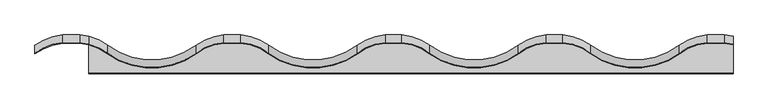
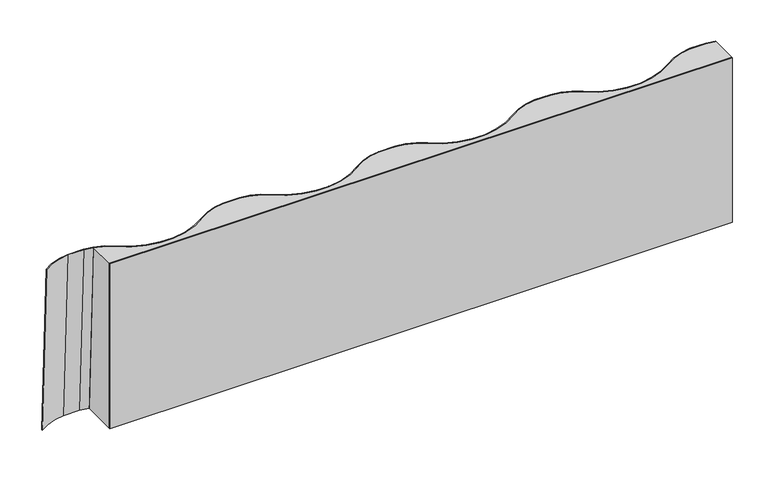
"""IFC4 building model written with IfcOpenShell, lengths in millimetres: proxy geometry."""

from ifc_helpers import new_model, si_unit, point, frame, origin, origin_with_axes, place, context, project, spatial, polyline, circle_curve, trimmed, outline, extrude, source, transform, mapped, element, save
from ifc_brep_helpers import plane_surface, extruded_surface, advanced_brep


def generic_models_6bab72dd(model_context):
    return source(origin(), model_context, "Body", "SolidModel", [
        advanced_brep(
        [(-487.0, 48.5, 280.0), (-513.0, 48.5, 280.0), (-556.4, 32.3578474, 280.0), (-556.4, 31.1113682, 280.0), (-512.9231905, 47.5029542, 280.0), (-487.0768095, 47.5029542, 280.0), (-473.0, 45.1890884, 280.0), (-473.0, 46.2205007, 280.0), (-487.0, 60.5, 0.0), (-473.0, 58.2205007, 0.0), (-473.0, 57.1890884, 0.0), (-487.0768095, 59.5029542, 0.0), (-512.9231905, 59.5029542, 0.0), (-556.4, 43.1113682, 0.0), (-556.4, 44.3578474, 0.0), (-513.0, 60.5, 0.0)],
        [
            (0, 1, circle_curve(frame((-500.0, -120.25, 280.0), z_axis=(0.0, 0.0, 1.0), x_axis=(1.0, 0.0, 0.0)), 169.25)),
            (1, 2, circle_curve(frame((-506.5471271, -35.2632542, 280.0), z_axis=(0.0, 0.0, 1.0), x_axis=(1.0, 0.0, 0.0)), 84.0114416)),
            (2, 3),
            (3, 4, circle_curve(frame((-506.5471271, -35.2632542, 280.0), z_axis=(0.0, 0.0, -1.0), x_axis=(1.0, 0.0, 0.0)), 83.0114416)),
            (4, 5, circle_curve(frame((-500.0, -120.25, 280.0), z_axis=(0.0, 0.0, -1.0), x_axis=(1.0, 0.0, 0.0)), 168.25)),
            (5, 6, circle_curve(frame((-493.4528729, -35.2632542, 280.0), z_axis=(0.0, 0.0, -1.0), x_axis=(1.0, 0.0, 0.0)), 83.0114416)),
            (6, 7),
            (7, 0, circle_curve(frame((-493.4528729, -35.2632542, 280.0), z_axis=(0.0, 0.0, 1.0), x_axis=(1.0, 0.0, 0.0)), 84.0114416)),
            (8, 9, circle_curve(frame((-493.4528729, -23.2632542, 0.0), z_axis=(0.0, 0.0, -1.0), x_axis=(1.0, 0.0, 0.0)), 84.0114416)),
            (9, 10),
            (10, 11, circle_curve(frame((-493.4528729, -23.2632542, 0.0), z_axis=(0.0, 0.0, 1.0), x_axis=(1.0, 0.0, 0.0)), 83.0114416)),
            (11, 12, circle_curve(frame((-500.0, -108.25, 0.0), z_axis=(0.0, 0.0, 1.0), x_axis=(1.0, 0.0, 0.0)), 168.25)),
            (12, 13, circle_curve(frame((-506.5471271, -23.2632542, 0.0), z_axis=(0.0, 0.0, 1.0), x_axis=(1.0, 0.0, 0.0)), 83.0114416)),
            (13, 14),
            (14, 15, circle_curve(frame((-506.5471271, -23.2632542, 0.0), z_axis=(0.0, 0.0, -1.0), x_axis=(1.0, 0.0, 0.0)), 84.0114416)),
            (15, 8, circle_curve(frame((-500.0, -108.25, 0.0), z_axis=(0.0, 0.0, -1.0), x_axis=(1.0, 0.0, 0.0)), 169.25)),
            (15, 1),
            (0, 8),
            (14, 2),
            (13, 3),
            (12, 4),
            (11, 5),
            (10, 6),
            (7, 9),
        ],
        [
            plane_surface(frame((-507.35, 43.3605891, 280.0), z_axis=(0.0, 0.0, 1.0), x_axis=(-0.9970457902511084, 0.07680945347118925, 0.0))),
            plane_surface(frame((-507.35, 55.3605891, 0.0), z_axis=(0.0, 0.0, -1.0), x_axis=(-0.9970457902511084, 0.07680945347118925, 0.0))),
            extruded_surface(trimmed(circle_curve(frame((-500.0, -108.25, 0.0), z_axis=(0.0, 0.0, 1.0), x_axis=(1.0, 0.0, 0.0)), 169.25), [point((-487.0, 60.5, 0.0))], [point((-513.0, 60.5, 0.0))], True, "CARTESIAN"), (0.0, -12.0, 280.0), 280.25702488965374),
            extruded_surface(trimmed(circle_curve(frame((-506.5471271, -23.2632542, 0.0), z_axis=(0.0, 0.0, 1.0), x_axis=(1.0, 0.0, 0.0)), 84.0114416), [point((-513.0, 60.5, 0.0))], [point((-556.4, 44.3578474, 0.0))], True, "CARTESIAN"), (0.0, -12.0, 280.0), 280.25702488965374),
            plane_surface(frame((-556.4, 43.7346078, 0.0), z_axis=(-1.0, 0.0, 0.0), x_axis=(0.0, -1.0, 0.0))),
            extruded_surface(trimmed(circle_curve(frame((-506.5471271, -23.2632542, 0.0), z_axis=(0.0, 0.0, -1.0), x_axis=(1.0, 0.0, 0.0)), 83.0114416), [point((-556.4, 43.1113682, 0.0))], [point((-512.9231905, 59.5029542, 0.0))], True, "CARTESIAN"), (0.0, -12.0, 280.0), 280.25702488965374),
            extruded_surface(trimmed(circle_curve(frame((-500.0, -108.25, 0.0), z_axis=(0.0, 0.0, -1.0), x_axis=(1.0, 0.0, 0.0)), 168.25), [point((-512.9231905, 59.5029542, 0.0))], [point((-487.0768095, 59.5029542, 0.0))], True, "CARTESIAN"), (0.0, -12.0, 280.0), 280.25702488965374),
            extruded_surface(trimmed(circle_curve(frame((-493.4528729, -23.2632542, 0.0), z_axis=(0.0, 0.0, -1.0), x_axis=(1.0, 0.0, 0.0)), 83.0114416), [point((-487.0768095, 59.5029542, 0.0))], [point((-473.0, 57.1890884, 0.0))], True, "CARTESIAN"), (0.0, -12.0, 280.0), 280.25702488965374),
            extruded_surface(trimmed(circle_curve(frame((-493.4528729, -23.2632542, 0.0), z_axis=(0.0, 0.0, 1.0), x_axis=(1.0, 0.0, 0.0)), 84.0114416), [point((-473.0, 58.2205007, 0.0))], [point((-487.0, 60.5, 0.0))], True, "CARTESIAN"), (0.0, -12.0, 280.0), 280.25702488965374),
            plane_surface(frame((-473.0, 57.7047945, 0.0), z_axis=(1.0, 0.0, 0.0), x_axis=(0.0, 1.0, 0.0))),
        ],
        [
            (0, [[1, 2, 3, 4, 5, 6, 7, 8]]),
            (1, [[9, 10, 11, 12, 13, 14, 15, 16]]),
            (2, [[-16, 17, -1, 18]]),
            (3, [[-15, 19, -2, -17]]),
            (4, [[-14, 20, -3, -19]]),
            (5, [[-13, 21, -4, -20]]),
            (6, [[-12, 22, -5, -21]]),
            (7, [[-11, 23, -6, -22]]),
            (8, [[-9, -18, -8, 24]]),
            (9, [[-10, -24, -7, -23]]),
        ],
    ),
        advanced_brep(
        [(-473.0, 46.2205007, 280.0), (-473.0, 45.1890884, 280.0), (-444.1934058, 31.552944, 280.0), (-305.8065942, 31.552944, 280.0), (-262.9231905, 47.5029542, 280.0), (-237.0768095, 47.5029542, 280.0), (-194.1934058, 31.552944, 280.0), (-55.8065942, 31.552944, 280.0), (-12.9231905, 47.5029542, 280.0), (12.9231905, 47.5029542, 280.0), (55.8065942, 31.552944, 280.0), (194.1934058, 31.552944, 280.0), (237.0768095, 47.5029542, 280.0), (262.9231905, 47.5029542, 280.0), (305.8065942, 31.552944, 280.0), (444.1934058, 31.552944, 280.0), (487.0768095, 47.5029542, 280.0), (512.9231905, 47.5029542, 280.0), (526.971358, 45.1963644, 280.0), (526.971358, 46.2276846, 280.0), (513.0, 48.5, 280.0), (487.0, 48.5, 280.0), (443.6, 32.3578474, 280.0), (306.4, 32.3578474, 280.0), (263.0, 48.5, 280.0), (237.0, 48.5, 280.0), (193.6, 32.3578474, 280.0), (56.4, 32.3578474, 280.0), (13.0, 48.5, 280.0), (-13.0, 48.5, 280.0), (-56.4, 32.3578474, 280.0), (-193.6, 32.3578474, 280.0), (-237.0, 48.5, 280.0), (-263.0, 48.5, 280.0), (-306.4, 32.3578474, 280.0), (-443.6, 32.3578474, 280.0), (-473.0, 58.2205007, 0.0), (-443.6, 44.3578474, 0.0), (-306.4, 44.3578474, 0.0), (-263.0, 60.5, 0.0), (-237.0, 60.5, 0.0), (-193.6, 44.3578474, 0.0), (-56.4, 44.3578474, 0.0), (-13.0, 60.5, 0.0), (13.0, 60.5, 0.0), (56.4, 44.3578474, 0.0), (193.6, 44.3578474, 0.0), (237.0, 60.5, 0.0), (263.0, 60.5, 0.0), (306.4, 44.3578474, 0.0), (443.6, 44.3578474, 0.0), (487.0, 60.5, 0.0), (513.0, 60.5, 0.0), (526.971358, 58.2276846, 0.0), (526.971358, 57.1963644, 0.0), (512.9231905, 59.5029542, 0.0), (487.0768095, 59.5029542, 0.0), (444.1934058, 43.552944, 0.0), (305.8065942, 43.552944, 0.0), (262.9231905, 59.5029542, 0.0), (237.0768095, 59.5029542, 0.0), (194.1934058, 43.552944, 0.0), (55.8065942, 43.552944, 0.0), (12.9231905, 59.5029542, 0.0), (-12.9231905, 59.5029542, 0.0), (-55.8065942, 43.552944, 0.0), (-194.1934058, 43.552944, 0.0), (-237.0768095, 59.5029542, 0.0), (-262.9231905, 59.5029542, 0.0), (-305.8065942, 43.552944, 0.0), (-444.1934058, 43.552944, 0.0), (-473.0, 57.1890884, 0.0)],
        [
            (0, 1),
            (1, 2, circle_curve(frame((-493.4528729, -35.2632542, 280.0), z_axis=(0.0, 0.0, -1.0), x_axis=(1.0, 0.0, 0.0)), 83.0114416)),
            (2, 3, circle_curve(frame((-375.0, 125.4078023, 280.0), z_axis=(0.0, 0.0, 1.0), x_axis=(1.0, 0.0, 0.0)), 116.6038671)),
            (3, 4, circle_curve(frame((-256.5471271, -35.2632542, 280.0), z_axis=(0.0, 0.0, -1.0), x_axis=(1.0, 0.0, 0.0)), 83.0114416)),
            (4, 5, circle_curve(frame((-250.0, -120.25, 280.0), z_axis=(0.0, 0.0, -1.0), x_axis=(1.0, 0.0, 0.0)), 168.25)),
            (5, 6, circle_curve(frame((-243.4528729, -35.2632542, 280.0), z_axis=(0.0, 0.0, -1.0), x_axis=(1.0, 0.0, 0.0)), 83.0114416)),
            (6, 7, circle_curve(frame((-125.0, 125.4078023, 280.0), z_axis=(0.0, 0.0, 1.0), x_axis=(1.0, 0.0, 0.0)), 116.6038671)),
            (7, 8, circle_curve(frame((-6.5471271, -35.2632542, 280.0), z_axis=(0.0, 0.0, -1.0), x_axis=(1.0, 0.0, 0.0)), 83.0114416)),
            (8, 9, circle_curve(frame((0.0, -120.25, 280.0), z_axis=(0.0, 0.0, -1.0), x_axis=(1.0, 0.0, 0.0)), 168.25)),
            (9, 10, circle_curve(frame((6.5471271, -35.2632542, 280.0), z_axis=(0.0, 0.0, -1.0), x_axis=(1.0, 0.0, 0.0)), 83.0114416)),
            (10, 11, circle_curve(frame((125.0, 125.4078023, 280.0), z_axis=(0.0, 0.0, 1.0), x_axis=(1.0, 0.0, 0.0)), 116.6038671)),
            (11, 12, circle_curve(frame((243.4528729, -35.2632542, 280.0), z_axis=(0.0, 0.0, -1.0), x_axis=(1.0, 0.0, 0.0)), 83.0114416)),
            (12, 13, circle_curve(frame((250.0, -120.25, 280.0), z_axis=(0.0, 0.0, -1.0), x_axis=(1.0, 0.0, 0.0)), 168.25)),
            (13, 14, circle_curve(frame((256.5471271, -35.2632542, 280.0), z_axis=(0.0, 0.0, -1.0), x_axis=(1.0, 0.0, 0.0)), 83.0114416)),
            (14, 15, circle_curve(frame((375.0, 125.4078023, 280.0), z_axis=(0.0, 0.0, 1.0), x_axis=(1.0, 0.0, 0.0)), 116.6038671)),
            (15, 16, circle_curve(frame((493.4528729, -35.2632542, 280.0), z_axis=(0.0, 0.0, -1.0), x_axis=(1.0, 0.0, 0.0)), 83.0114416)),
            (16, 17, circle_curve(frame((500.0, -120.25, 280.0), z_axis=(0.0, 0.0, -1.0), x_axis=(1.0, 0.0, 0.0)), 168.25)),
            (17, 18, circle_curve(frame((506.5471271, -35.2632542, 280.0), z_axis=(0.0, 0.0, -1.0), x_axis=(1.0, 0.0, 0.0)), 83.0114416)),
            (18, 19),
            (19, 20, circle_curve(frame((506.5471271, -35.2632542, 280.0), z_axis=(0.0, 0.0, 1.0), x_axis=(1.0, 0.0, 0.0)), 84.0114416)),
            (20, 21, circle_curve(frame((500.0, -120.25, 280.0), z_axis=(0.0, 0.0, 1.0), x_axis=(1.0, 0.0, 0.0)), 169.25)),
            (21, 22, circle_curve(frame((493.4528729, -35.2632542, 280.0), z_axis=(0.0, 0.0, 1.0), x_axis=(1.0, 0.0, 0.0)), 84.0114416)),
            (22, 23, circle_curve(frame((375.0, 125.4078023, 280.0), z_axis=(0.0, 0.0, -1.0), x_axis=(1.0, 0.0, 0.0)), 115.6038671)),
            (23, 24, circle_curve(frame((256.5471271, -35.2632542, 280.0), z_axis=(0.0, 0.0, 1.0), x_axis=(1.0, 0.0, 0.0)), 84.0114416)),
            (24, 25, circle_curve(frame((250.0, -120.25, 280.0), z_axis=(0.0, 0.0, 1.0), x_axis=(1.0, 0.0, 0.0)), 169.25)),
            (25, 26, circle_curve(frame((243.4528729, -35.2632542, 280.0), z_axis=(0.0, 0.0, 1.0), x_axis=(1.0, 0.0, 0.0)), 84.0114416)),
            (26, 27, circle_curve(frame((125.0, 125.4078023, 280.0), z_axis=(0.0, 0.0, -1.0), x_axis=(1.0, 0.0, 0.0)), 115.6038671)),
            (27, 28, circle_curve(frame((6.5471271, -35.2632542, 280.0), z_axis=(0.0, 0.0, 1.0), x_axis=(1.0, 0.0, 0.0)), 84.0114416)),
            (28, 29, circle_curve(frame((0.0, -120.25, 280.0), z_axis=(0.0, 0.0, 1.0), x_axis=(1.0, 0.0, 0.0)), 169.25)),
            (29, 30, circle_curve(frame((-6.5471271, -35.2632542, 280.0), z_axis=(0.0, 0.0, 1.0), x_axis=(1.0, 0.0, 0.0)), 84.0114416)),
            (30, 31, circle_curve(frame((-125.0, 125.4078023, 280.0), z_axis=(0.0, 0.0, -1.0), x_axis=(1.0, 0.0, 0.0)), 115.6038671)),
            (31, 32, circle_curve(frame((-243.4528729, -35.2632542, 280.0), z_axis=(0.0, 0.0, 1.0), x_axis=(1.0, 0.0, 0.0)), 84.0114416)),
            (32, 33, circle_curve(frame((-250.0, -120.25, 280.0), z_axis=(0.0, 0.0, 1.0), x_axis=(1.0, 0.0, 0.0)), 169.25)),
            (33, 34, circle_curve(frame((-256.5471271, -35.2632542, 280.0), z_axis=(0.0, 0.0, 1.0), x_axis=(1.0, 0.0, 0.0)), 84.0114416)),
            (34, 35, circle_curve(frame((-375.0, 125.4078023, 280.0), z_axis=(0.0, 0.0, -1.0), x_axis=(1.0, 0.0, 0.0)), 115.6038671)),
            (35, 0, circle_curve(frame((-493.4528729, -35.2632542, 280.0), z_axis=(0.0, 0.0, 1.0), x_axis=(1.0, 0.0, 0.0)), 84.0114416)),
            (36, 37, circle_curve(frame((-493.4528729, -23.2632542, 0.0), z_axis=(0.0, 0.0, -1.0), x_axis=(1.0, 0.0, 0.0)), 84.0114416)),
            (37, 38, circle_curve(frame((-375.0, 137.4078023, 0.0), z_axis=(0.0, 0.0, 1.0), x_axis=(1.0, 0.0, 0.0)), 115.6038671)),
            (38, 39, circle_curve(frame((-256.5471271, -23.2632542, 0.0), z_axis=(0.0, 0.0, -1.0), x_axis=(1.0, 0.0, 0.0)), 84.0114416)),
            (39, 40, circle_curve(frame((-250.0, -108.25, 0.0), z_axis=(0.0, 0.0, -1.0), x_axis=(1.0, 0.0, 0.0)), 169.25)),
            (40, 41, circle_curve(frame((-243.4528729, -23.2632542, 0.0), z_axis=(0.0, 0.0, -1.0), x_axis=(1.0, 0.0, 0.0)), 84.0114416)),
            (41, 42, circle_curve(frame((-125.0, 137.4078023, 0.0), z_axis=(0.0, 0.0, 1.0), x_axis=(1.0, 0.0, 0.0)), 115.6038671)),
            (42, 43, circle_curve(frame((-6.5471271, -23.2632542, 0.0), z_axis=(0.0, 0.0, -1.0), x_axis=(1.0, 0.0, 0.0)), 84.0114416)),
            (43, 44, circle_curve(frame((0.0, -108.25, 0.0), z_axis=(0.0, 0.0, -1.0), x_axis=(1.0, 0.0, 0.0)), 169.25)),
            (44, 45, circle_curve(frame((6.5471271, -23.2632542, 0.0), z_axis=(0.0, 0.0, -1.0), x_axis=(1.0, 0.0, 0.0)), 84.0114416)),
            (45, 46, circle_curve(frame((125.0, 137.4078023, 0.0), z_axis=(0.0, 0.0, 1.0), x_axis=(1.0, 0.0, 0.0)), 115.6038671)),
            (46, 47, circle_curve(frame((243.4528729, -23.2632542, 0.0), z_axis=(0.0, 0.0, -1.0), x_axis=(1.0, 0.0, 0.0)), 84.0114416)),
            (47, 48, circle_curve(frame((250.0, -108.25, 0.0), z_axis=(0.0, 0.0, -1.0), x_axis=(1.0, 0.0, 0.0)), 169.25)),
            (48, 49, circle_curve(frame((256.5471271, -23.2632542, 0.0), z_axis=(0.0, 0.0, -1.0), x_axis=(1.0, 0.0, 0.0)), 84.0114416)),
            (49, 50, circle_curve(frame((375.0, 137.4078023, 0.0), z_axis=(0.0, 0.0, 1.0), x_axis=(1.0, 0.0, 0.0)), 115.6038671)),
            (50, 51, circle_curve(frame((493.4528729, -23.2632542, 0.0), z_axis=(0.0, 0.0, -1.0), x_axis=(1.0, 0.0, 0.0)), 84.0114416)),
            (51, 52, circle_curve(frame((500.0, -108.25, 0.0), z_axis=(0.0, 0.0, -1.0), x_axis=(1.0, 0.0, 0.0)), 169.25)),
            (52, 53, circle_curve(frame((506.5471271, -23.2632542, 0.0), z_axis=(0.0, 0.0, -1.0), x_axis=(1.0, 0.0, 0.0)), 84.0114416)),
            (53, 54),
            (54, 55, circle_curve(frame((506.5471271, -23.2632542, 0.0), z_axis=(0.0, 0.0, 1.0), x_axis=(1.0, 0.0, 0.0)), 83.0114416)),
            (55, 56, circle_curve(frame((500.0, -108.25, 0.0), z_axis=(0.0, 0.0, 1.0), x_axis=(1.0, 0.0, 0.0)), 168.25)),
            (56, 57, circle_curve(frame((493.4528729, -23.2632542, 0.0), z_axis=(0.0, 0.0, 1.0), x_axis=(1.0, 0.0, 0.0)), 83.0114416)),
            (57, 58, circle_curve(frame((375.0, 137.4078023, 0.0), z_axis=(0.0, 0.0, -1.0), x_axis=(1.0, 0.0, 0.0)), 116.6038671)),
            (58, 59, circle_curve(frame((256.5471271, -23.2632542, 0.0), z_axis=(0.0, 0.0, 1.0), x_axis=(1.0, 0.0, 0.0)), 83.0114416)),
            (59, 60, circle_curve(frame((250.0, -108.25, 0.0), z_axis=(0.0, 0.0, 1.0), x_axis=(1.0, 0.0, 0.0)), 168.25)),
            (60, 61, circle_curve(frame((243.4528729, -23.2632542, 0.0), z_axis=(0.0, 0.0, 1.0), x_axis=(1.0, 0.0, 0.0)), 83.0114416)),
            (61, 62, circle_curve(frame((125.0, 137.4078023, 0.0), z_axis=(0.0, 0.0, -1.0), x_axis=(1.0, 0.0, 0.0)), 116.6038671)),
            (62, 63, circle_curve(frame((6.5471271, -23.2632542, 0.0), z_axis=(0.0, 0.0, 1.0), x_axis=(1.0, 0.0, 0.0)), 83.0114416)),
            (63, 64, circle_curve(frame((0.0, -108.25, 0.0), z_axis=(0.0, 0.0, 1.0), x_axis=(1.0, 0.0, 0.0)), 168.25)),
            (64, 65, circle_curve(frame((-6.5471271, -23.2632542, 0.0), z_axis=(0.0, 0.0, 1.0), x_axis=(1.0, 0.0, 0.0)), 83.0114416)),
            (65, 66, circle_curve(frame((-125.0, 137.4078023, 0.0), z_axis=(0.0, 0.0, -1.0), x_axis=(1.0, 0.0, 0.0)), 116.6038671)),
            (66, 67, circle_curve(frame((-243.4528729, -23.2632542, 0.0), z_axis=(0.0, 0.0, 1.0), x_axis=(1.0, 0.0, 0.0)), 83.0114416)),
            (67, 68, circle_curve(frame((-250.0, -108.25, 0.0), z_axis=(0.0, 0.0, 1.0), x_axis=(1.0, 0.0, 0.0)), 168.25)),
            (68, 69, circle_curve(frame((-256.5471271, -23.2632542, 0.0), z_axis=(0.0, 0.0, 1.0), x_axis=(1.0, 0.0, 0.0)), 83.0114416)),
            (69, 70, circle_curve(frame((-375.0, 137.4078023, 0.0), z_axis=(0.0, 0.0, -1.0), x_axis=(1.0, 0.0, 0.0)), 116.6038671)),
            (70, 71, circle_curve(frame((-493.4528729, -23.2632542, 0.0), z_axis=(0.0, 0.0, 1.0), x_axis=(1.0, 0.0, 0.0)), 83.0114416)),
            (71, 36),
            (70, 2),
            (1, 71),
            (69, 3),
            (68, 4),
            (67, 5),
            (66, 6),
            (65, 7),
            (64, 8),
            (63, 9),
            (62, 10),
            (61, 11),
            (60, 12),
            (59, 13),
            (58, 14),
            (57, 15),
            (56, 16),
            (55, 17),
            (54, 18),
            (53, 19),
            (52, 20),
            (51, 21),
            (50, 22),
            (49, 23),
            (48, 24),
            (47, 25),
            (46, 26),
            (45, 27),
            (44, 28),
            (43, 29),
            (42, 30),
            (41, 31),
            (40, 32),
            (39, 33),
            (38, 34),
            (37, 35),
            (36, 0),
        ],
        [
            plane_surface(frame((58.5539643, 40.6151001, 280.0), z_axis=(0.0, 0.0, 1.0), x_axis=(0.0, -1.0, 0.0))),
            plane_surface(frame((58.5539643, 52.6151001, 0.0), z_axis=(0.0, 0.0, -1.0), x_axis=(0.0, -1.0, 0.0))),
            extruded_surface(trimmed(circle_curve(frame((-493.4528729, -23.2632542, 0.0), z_axis=(0.0, 0.0, -1.0), x_axis=(1.0, 0.0, 0.0)), 83.0114416), [point((-473.0, 57.1890884, 0.0))], [point((-444.1934058, 43.552944, 0.0))], True, "CARTESIAN"), (0.0, -12.0, 280.0), 280.25702488965374),
            extruded_surface(trimmed(circle_curve(frame((-375.0, 137.4078023, 0.0), z_axis=(0.0, 0.0, 1.0), x_axis=(1.0, 0.0, 0.0)), 116.6038671), [point((-444.1934058, 43.552944, 0.0))], [point((-305.8065942, 43.552944, 0.0))], True, "CARTESIAN"), (0.0, -11.999999999999986, 280.0), 280.25702488965374),
            extruded_surface(trimmed(circle_curve(frame((-256.5471271, -23.2632542, 0.0), z_axis=(0.0, 0.0, -1.0), x_axis=(1.0, 0.0, 0.0)), 83.0114416), [point((-305.8065942, 43.552944, 0.0))], [point((-262.9231905, 59.5029542, 0.0))], True, "CARTESIAN"), (0.0, -12.0, 280.0), 280.25702488965374),
            extruded_surface(trimmed(circle_curve(frame((-250.0, -108.25, 0.0), z_axis=(0.0, 0.0, -1.0), x_axis=(1.0, 0.0, 0.0)), 168.25), [point((-262.9231905, 59.5029542, 0.0))], [point((-237.0768095, 59.5029542, 0.0))], True, "CARTESIAN"), (0.0, -12.0, 280.0), 280.25702488965374),
            extruded_surface(trimmed(circle_curve(frame((-243.4528729, -23.2632542, 0.0), z_axis=(0.0, 0.0, -1.0), x_axis=(1.0, 0.0, 0.0)), 83.0114416), [point((-237.0768095, 59.5029542, 0.0))], [point((-194.1934058, 43.552944, 0.0))], True, "CARTESIAN"), (0.0, -12.0, 280.0), 280.25702488965374),
            extruded_surface(trimmed(circle_curve(frame((-125.0, 137.4078023, 0.0), z_axis=(0.0, 0.0, 1.0), x_axis=(1.0, 0.0, 0.0)), 116.6038671), [point((-194.1934058, 43.552944, 0.0))], [point((-55.8065942, 43.552944, 0.0))], True, "CARTESIAN"), (0.0, -11.999999999999986, 280.0), 280.25702488965374),
            extruded_surface(trimmed(circle_curve(frame((-6.5471271, -23.2632542, 0.0), z_axis=(0.0, 0.0, -1.0), x_axis=(1.0, 0.0, 0.0)), 83.0114416), [point((-55.8065942, 43.552944, 0.0))], [point((-12.9231905, 59.5029542, 0.0))], True, "CARTESIAN"), (0.0, -12.0, 280.0), 280.25702488965374),
            extruded_surface(trimmed(circle_curve(frame((0.0, -108.25, 0.0), z_axis=(0.0, 0.0, -1.0), x_axis=(1.0, 0.0, 0.0)), 168.25), [point((-12.9231905, 59.5029542, 0.0))], [point((12.9231905, 59.5029542, 0.0))], True, "CARTESIAN"), (0.0, -12.0, 280.0), 280.25702488965374),
            extruded_surface(trimmed(circle_curve(frame((6.5471271, -23.2632542, 0.0), z_axis=(0.0, 0.0, -1.0), x_axis=(1.0, 0.0, 0.0)), 83.0114416), [point((12.9231905, 59.5029542, 0.0))], [point((55.8065942, 43.552944, 0.0))], True, "CARTESIAN"), (0.0, -12.0, 280.0), 280.25702488965374),
            extruded_surface(trimmed(circle_curve(frame((125.0, 137.4078023, 0.0), z_axis=(0.0, 0.0, 1.0), x_axis=(1.0, 0.0, 0.0)), 116.6038671), [point((55.8065942, 43.552944, 0.0))], [point((194.1934058, 43.552944, 0.0))], True, "CARTESIAN"), (0.0, -11.999999999999986, 280.0), 280.25702488965374),
            extruded_surface(trimmed(circle_curve(frame((243.4528729, -23.2632542, 0.0), z_axis=(0.0, 0.0, -1.0), x_axis=(1.0, 0.0, 0.0)), 83.0114416), [point((194.1934058, 43.552944, 0.0))], [point((237.0768095, 59.5029542, 0.0))], True, "CARTESIAN"), (0.0, -12.0, 280.0), 280.25702488965374),
            extruded_surface(trimmed(circle_curve(frame((250.0, -108.25, 0.0), z_axis=(0.0, 0.0, -1.0), x_axis=(1.0, 0.0, 0.0)), 168.25), [point((237.0768095, 59.5029542, 0.0))], [point((262.9231905, 59.5029542, 0.0))], True, "CARTESIAN"), (0.0, -12.0, 280.0), 280.25702488965374),
            extruded_surface(trimmed(circle_curve(frame((256.5471271, -23.2632542, 0.0), z_axis=(0.0, 0.0, -1.0), x_axis=(1.0, 0.0, 0.0)), 83.0114416), [point((262.9231905, 59.5029542, 0.0))], [point((305.8065942, 43.552944, 0.0))], True, "CARTESIAN"), (0.0, -12.0, 280.0), 280.25702488965374),
            extruded_surface(trimmed(circle_curve(frame((375.0, 137.4078023, 0.0), z_axis=(0.0, 0.0, 1.0), x_axis=(1.0, 0.0, 0.0)), 116.6038671), [point((305.8065942, 43.552944, 0.0))], [point((444.1934058, 43.552944, 0.0))], True, "CARTESIAN"), (0.0, -11.999999999999986, 280.0), 280.25702488965374),
            extruded_surface(trimmed(circle_curve(frame((493.4528729, -23.2632542, 0.0), z_axis=(0.0, 0.0, -1.0), x_axis=(1.0, 0.0, 0.0)), 83.0114416), [point((444.1934058, 43.552944, 0.0))], [point((487.0768095, 59.5029542, 0.0))], True, "CARTESIAN"), (0.0, -12.0, 280.0), 280.25702488965374),
            extruded_surface(trimmed(circle_curve(frame((500.0, -108.25, 0.0), z_axis=(0.0, 0.0, -1.0), x_axis=(1.0, 0.0, 0.0)), 168.25), [point((487.0768095, 59.5029542, 0.0))], [point((512.9231905, 59.5029542, 0.0))], True, "CARTESIAN"), (0.0, -12.0, 280.0), 280.25702488965374),
            extruded_surface(trimmed(circle_curve(frame((506.5471271, -23.2632542, 0.0), z_axis=(0.0, 0.0, -1.0), x_axis=(1.0, 0.0, 0.0)), 83.0114416), [point((512.9231905, 59.5029542, 0.0))], [point((526.971358, 57.1963644, 0.0))], True, "CARTESIAN"), (0.0, -12.0, 280.0), 280.25702488965374),
            plane_surface(frame((526.971358, 57.7120245, 0.0), z_axis=(1.0, 0.0, 0.0), x_axis=(0.0, 1.0, 0.0))),
            extruded_surface(trimmed(circle_curve(frame((506.5471271, -23.2632542, 0.0), z_axis=(0.0, 0.0, 1.0), x_axis=(1.0, 0.0, 0.0)), 84.0114416), [point((526.971358, 58.2276846, 0.0))], [point((513.0, 60.5, 0.0))], True, "CARTESIAN"), (0.0, -12.0, 280.0), 280.25702488965374),
            extruded_surface(trimmed(circle_curve(frame((500.0, -108.25, 0.0), z_axis=(0.0, 0.0, 1.0), x_axis=(1.0, 0.0, 0.0)), 169.25), [point((513.0, 60.5, 0.0))], [point((487.0, 60.5, 0.0))], True, "CARTESIAN"), (0.0, -12.0, 280.0), 280.25702488965374),
            extruded_surface(trimmed(circle_curve(frame((493.4528729, -23.2632542, 0.0), z_axis=(0.0, 0.0, 1.0), x_axis=(1.0, 0.0, 0.0)), 84.0114416), [point((487.0, 60.5, 0.0))], [point((443.6, 44.3578474, 0.0))], True, "CARTESIAN"), (0.0, -12.0, 280.0), 280.25702488965374),
            extruded_surface(trimmed(circle_curve(frame((375.0, 137.4078023, 0.0), z_axis=(0.0, 0.0, -1.0), x_axis=(1.0, 0.0, 0.0)), 115.6038671), [point((443.6, 44.3578474, 0.0))], [point((306.4, 44.3578474, 0.0))], True, "CARTESIAN"), (0.0, -11.999999999999986, 280.0), 280.25702488965374),
            extruded_surface(trimmed(circle_curve(frame((256.5471271, -23.2632542, 0.0), z_axis=(0.0, 0.0, 1.0), x_axis=(1.0, 0.0, 0.0)), 84.0114416), [point((306.4, 44.3578474, 0.0))], [point((263.0, 60.5, 0.0))], True, "CARTESIAN"), (0.0, -12.0, 280.0), 280.25702488965374),
            extruded_surface(trimmed(circle_curve(frame((250.0, -108.25, 0.0), z_axis=(0.0, 0.0, 1.0), x_axis=(1.0, 0.0, 0.0)), 169.25), [point((263.0, 60.5, 0.0))], [point((237.0, 60.5, 0.0))], True, "CARTESIAN"), (0.0, -12.0, 280.0), 280.25702488965374),
            extruded_surface(trimmed(circle_curve(frame((243.4528729, -23.2632542, 0.0), z_axis=(0.0, 0.0, 1.0), x_axis=(1.0, 0.0, 0.0)), 84.0114416), [point((237.0, 60.5, 0.0))], [point((193.6, 44.3578474, 0.0))], True, "CARTESIAN"), (0.0, -12.0, 280.0), 280.25702488965374),
            extruded_surface(trimmed(circle_curve(frame((125.0, 137.4078023, 0.0), z_axis=(0.0, 0.0, -1.0), x_axis=(1.0, 0.0, 0.0)), 115.6038671), [point((193.6, 44.3578474, 0.0))], [point((56.4, 44.3578474, 0.0))], True, "CARTESIAN"), (0.0, -11.999999999999986, 280.0), 280.25702488965374),
            extruded_surface(trimmed(circle_curve(frame((6.5471271, -23.2632542, 0.0), z_axis=(0.0, 0.0, 1.0), x_axis=(1.0, 0.0, 0.0)), 84.0114416), [point((56.4, 44.3578474, 0.0))], [point((13.0, 60.5, 0.0))], True, "CARTESIAN"), (0.0, -12.0, 280.0), 280.25702488965374),
            extruded_surface(trimmed(circle_curve(frame((0.0, -108.25, 0.0), z_axis=(0.0, 0.0, 1.0), x_axis=(1.0, 0.0, 0.0)), 169.25), [point((13.0, 60.5, 0.0))], [point((-13.0, 60.5, 0.0))], True, "CARTESIAN"), (0.0, -12.0, 280.0), 280.25702488965374),
            extruded_surface(trimmed(circle_curve(frame((-6.5471271, -23.2632542, 0.0), z_axis=(0.0, 0.0, 1.0), x_axis=(1.0, 0.0, 0.0)), 84.0114416), [point((-13.0, 60.5, 0.0))], [point((-56.4, 44.3578474, 0.0))], True, "CARTESIAN"), (0.0, -12.0, 280.0), 280.25702488965374),
            extruded_surface(trimmed(circle_curve(frame((-125.0, 137.4078023, 0.0), z_axis=(0.0, 0.0, -1.0), x_axis=(1.0, 0.0, 0.0)), 115.6038671), [point((-56.4, 44.3578474, 0.0))], [point((-193.6, 44.3578474, 0.0))], True, "CARTESIAN"), (0.0, -11.999999999999986, 280.0), 280.25702488965374),
            extruded_surface(trimmed(circle_curve(frame((-243.4528729, -23.2632542, 0.0), z_axis=(0.0, 0.0, 1.0), x_axis=(1.0, 0.0, 0.0)), 84.0114416), [point((-193.6, 44.3578474, 0.0))], [point((-237.0, 60.5, 0.0))], True, "CARTESIAN"), (0.0, -12.0, 280.0), 280.25702488965374),
            extruded_surface(trimmed(circle_curve(frame((-250.0, -108.25, 0.0), z_axis=(0.0, 0.0, 1.0), x_axis=(1.0, 0.0, 0.0)), 169.25), [point((-237.0, 60.5, 0.0))], [point((-263.0, 60.5, 0.0))], True, "CARTESIAN"), (0.0, -12.0, 280.0), 280.25702488965374),
            extruded_surface(trimmed(circle_curve(frame((-256.5471271, -23.2632542, 0.0), z_axis=(0.0, 0.0, 1.0), x_axis=(1.0, 0.0, 0.0)), 84.0114416), [point((-263.0, 60.5, 0.0))], [point((-306.4, 44.3578474, 0.0))], True, "CARTESIAN"), (0.0, -12.0, 280.0), 280.25702488965374),
            extruded_surface(trimmed(circle_curve(frame((-375.0, 137.4078023, 0.0), z_axis=(0.0, 0.0, -1.0), x_axis=(1.0, 0.0, 0.0)), 115.6038671), [point((-306.4, 44.3578474, 0.0))], [point((-443.6, 44.3578474, 0.0))], True, "CARTESIAN"), (0.0, -11.999999999999986, 280.0), 280.25702488965374),
            extruded_surface(trimmed(circle_curve(frame((-493.4528729, -23.2632542, 0.0), z_axis=(0.0, 0.0, 1.0), x_axis=(1.0, 0.0, 0.0)), 84.0114416), [point((-443.6, 44.3578474, 0.0))], [point((-473.0, 58.2205007, 0.0))], True, "CARTESIAN"), (0.0, -12.0, 280.0), 280.25702488965374),
            plane_surface(frame((-473.0, 57.7047945, 0.0), z_axis=(-1.0, 0.0, 0.0), x_axis=(0.0, -1.0, 0.0))),
        ],
        [
            (0, [[1, 2, 3, 4, 5, 6, 7, 8, 9, 10, 11, 12, 13, 14, 15, 16, 17, 18, 19, 20, 21, 22, 23, 24, 25, 26, 27, 28, 29, 30, 31, 32, 33, 34, 35, 36]]),
            (1, [[37, 38, 39, 40, 41, 42, 43, 44, 45, 46, 47, 48, 49, 50, 51, 52, 53, 54, 55, 56, 57, 58, 59, 60, 61, 62, 63, 64, 65, 66, 67, 68, 69, 70, 71, 72]]),
            (2, [[-71, 73, -2, 74]]),
            (3, [[-70, 75, -3, -73]]),
            (4, [[-69, 76, -4, -75]]),
            (5, [[-68, 77, -5, -76]]),
            (6, [[-67, 78, -6, -77]]),
            (7, [[-66, 79, -7, -78]]),
            (8, [[-65, 80, -8, -79]]),
            (9, [[-64, 81, -9, -80]]),
            (10, [[-63, 82, -10, -81]]),
            (11, [[-62, 83, -11, -82]]),
            (12, [[-61, 84, -12, -83]]),
            (13, [[-60, 85, -13, -84]]),
            (14, [[-59, 86, -14, -85]]),
            (15, [[-58, 87, -15, -86]]),
            (16, [[-57, 88, -16, -87]]),
            (17, [[-56, 89, -17, -88]]),
            (18, [[-55, 90, -18, -89]]),
            (19, [[-54, 91, -19, -90]]),
            (20, [[-53, 92, -20, -91]]),
            (21, [[-52, 93, -21, -92]]),
            (22, [[-51, 94, -22, -93]]),
            (23, [[-50, 95, -23, -94]]),
            (24, [[-49, 96, -24, -95]]),
            (25, [[-48, 97, -25, -96]]),
            (26, [[-47, 98, -26, -97]]),
            (27, [[-46, 99, -27, -98]]),
            (28, [[-45, 100, -28, -99]]),
            (29, [[-44, 101, -29, -100]]),
            (30, [[-43, 102, -30, -101]]),
            (31, [[-42, 103, -31, -102]]),
            (32, [[-41, 104, -32, -103]]),
            (33, [[-40, 105, -33, -104]]),
            (34, [[-39, 106, -34, -105]]),
            (35, [[-38, 107, -35, -106]]),
            (36, [[-37, 108, -36, -107]]),
            (37, [[-72, -74, -1, -108]]),
        ],
    ),
        extrude(outline(polyline([(526.971358, 1.0), (526.971358, 0.0), (-473.0, 0.0), (-473.0, 1.0), (526.971358, 1.0)])), origin_with_axes(), (0.0, 0.0, 1.0), 280.0),
        advanced_brep(
        [(526.971358, 1.0, 280.0), (526.971358, 45.1963644, 280.0), (512.9231905, 47.5029542, 280.0), (487.0768095, 47.5029542, 280.0), (444.1934058, 31.552944, 280.0), (305.8065942, 31.552944, 280.0), (262.9231905, 47.5029542, 280.0), (237.0768095, 47.5029542, 280.0), (194.1934058, 31.552944, 280.0), (55.8065942, 31.552944, 280.0), (12.9231905, 47.5029542, 280.0), (-12.9231905, 47.5029542, 280.0), (-55.8065942, 31.552944, 280.0), (-194.1934058, 31.552944, 280.0), (-237.0768095, 47.5029542, 280.0), (-262.9231905, 47.5029542, 280.0), (-305.8065942, 31.552944, 280.0), (-444.1934058, 31.552944, 280.0), (-473.0, 45.1890884, 280.0), (-473.0, 1.0, 280.0), (526.971358, 1.0, 0.0), (-473.0, 1.0, 0.0), (-473.0, 57.1890884, 0.0), (-444.1934058, 43.552944, 0.0), (-305.8065942, 43.552944, 0.0), (-262.9231905, 59.5029542, 0.0), (-237.0768095, 59.5029542, 0.0), (-194.1934058, 43.552944, 0.0), (-55.8065942, 43.552944, 0.0), (-12.9231905, 59.5029542, 0.0), (12.9231905, 59.5029542, 0.0), (55.8065942, 43.552944, 0.0), (194.1934058, 43.552944, 0.0), (237.0768095, 59.5029542, 0.0), (262.9231905, 59.5029542, 0.0), (305.8065942, 43.552944, 0.0), (444.1934058, 43.552944, 0.0), (487.0768095, 59.5029542, 0.0), (512.9231905, 59.5029542, 0.0), (526.971358, 57.1963644, 0.0)],
        [
            (0, 1),
            (1, 2, circle_curve(frame((506.5471271, -35.2632542, 280.0), z_axis=(0.0, 0.0, 1.0), x_axis=(1.0, 0.0, 0.0)), 83.0114416)),
            (2, 3, circle_curve(frame((500.0, -120.25, 280.0), z_axis=(0.0, 0.0, 1.0), x_axis=(1.0, 0.0, 0.0)), 168.25)),
            (3, 4, circle_curve(frame((493.4528729, -35.2632542, 280.0), z_axis=(0.0, 0.0, 1.0), x_axis=(1.0, 0.0, 0.0)), 83.0114416)),
            (4, 5, circle_curve(frame((375.0, 125.4078023, 280.0), z_axis=(0.0, 0.0, -1.0), x_axis=(1.0, 0.0, 0.0)), 116.6038671)),
            (5, 6, circle_curve(frame((256.5471271, -35.2632542, 280.0), z_axis=(0.0, 0.0, 1.0), x_axis=(1.0, 0.0, 0.0)), 83.0114416)),
            (6, 7, circle_curve(frame((250.0, -120.25, 280.0), z_axis=(0.0, 0.0, 1.0), x_axis=(1.0, 0.0, 0.0)), 168.25)),
            (7, 8, circle_curve(frame((243.4528729, -35.2632542, 280.0), z_axis=(0.0, 0.0, 1.0), x_axis=(1.0, 0.0, 0.0)), 83.0114416)),
            (8, 9, circle_curve(frame((125.0, 125.4078023, 280.0), z_axis=(0.0, 0.0, -1.0), x_axis=(1.0, 0.0, 0.0)), 116.6038671)),
            (9, 10, circle_curve(frame((6.5471271, -35.2632542, 280.0), z_axis=(0.0, 0.0, 1.0), x_axis=(1.0, 0.0, 0.0)), 83.0114416)),
            (10, 11, circle_curve(frame((0.0, -120.25, 280.0), z_axis=(0.0, 0.0, 1.0), x_axis=(1.0, 0.0, 0.0)), 168.25)),
            (11, 12, circle_curve(frame((-6.5471271, -35.2632542, 280.0), z_axis=(0.0, 0.0, 1.0), x_axis=(1.0, 0.0, 0.0)), 83.0114416)),
            (12, 13, circle_curve(frame((-125.0, 125.4078023, 280.0), z_axis=(0.0, 0.0, -1.0), x_axis=(1.0, 0.0, 0.0)), 116.6038671)),
            (13, 14, circle_curve(frame((-243.4528729, -35.2632542, 280.0), z_axis=(0.0, 0.0, 1.0), x_axis=(1.0, 0.0, 0.0)), 83.0114416)),
            (14, 15, circle_curve(frame((-250.0, -120.25, 280.0), z_axis=(0.0, 0.0, 1.0), x_axis=(1.0, 0.0, 0.0)), 168.25)),
            (15, 16, circle_curve(frame((-256.5471271, -35.2632542, 280.0), z_axis=(0.0, 0.0, 1.0), x_axis=(1.0, 0.0, 0.0)), 83.0114416)),
            (16, 17, circle_curve(frame((-375.0, 125.4078023, 280.0), z_axis=(0.0, 0.0, -1.0), x_axis=(1.0, 0.0, 0.0)), 116.6038671)),
            (17, 18, circle_curve(frame((-493.4528729, -35.2632542, 280.0), z_axis=(0.0, 0.0, 1.0), x_axis=(1.0, 0.0, 0.0)), 83.0114416)),
            (18, 19),
            (19, 0),
            (20, 21),
            (21, 22),
            (22, 23, circle_curve(frame((-493.4528729, -23.2632542, 0.0), z_axis=(0.0, 0.0, -1.0), x_axis=(1.0, 0.0, 0.0)), 83.0114416)),
            (23, 24, circle_curve(frame((-375.0, 137.4078023, 0.0), z_axis=(0.0, 0.0, 1.0), x_axis=(1.0, 0.0, 0.0)), 116.6038671)),
            (24, 25, circle_curve(frame((-256.5471271, -23.2632542, 0.0), z_axis=(0.0, 0.0, -1.0), x_axis=(1.0, 0.0, 0.0)), 83.0114416)),
            (25, 26, circle_curve(frame((-250.0, -108.25, 0.0), z_axis=(0.0, 0.0, -1.0), x_axis=(1.0, 0.0, 0.0)), 168.25)),
            (26, 27, circle_curve(frame((-243.4528729, -23.2632542, 0.0), z_axis=(0.0, 0.0, -1.0), x_axis=(1.0, 0.0, 0.0)), 83.0114416)),
            (27, 28, circle_curve(frame((-125.0, 137.4078023, 0.0), z_axis=(0.0, 0.0, 1.0), x_axis=(1.0, 0.0, 0.0)), 116.6038671)),
            (28, 29, circle_curve(frame((-6.5471271, -23.2632542, 0.0), z_axis=(0.0, 0.0, -1.0), x_axis=(1.0, 0.0, 0.0)), 83.0114416)),
            (29, 30, circle_curve(frame((0.0, -108.25, 0.0), z_axis=(0.0, 0.0, -1.0), x_axis=(1.0, 0.0, 0.0)), 168.25)),
            (30, 31, circle_curve(frame((6.5471271, -23.2632542, 0.0), z_axis=(0.0, 0.0, -1.0), x_axis=(1.0, 0.0, 0.0)), 83.0114416)),
            (31, 32, circle_curve(frame((125.0, 137.4078023, 0.0), z_axis=(0.0, 0.0, 1.0), x_axis=(1.0, 0.0, 0.0)), 116.6038671)),
            (32, 33, circle_curve(frame((243.4528729, -23.2632542, 0.0), z_axis=(0.0, 0.0, -1.0), x_axis=(1.0, 0.0, 0.0)), 83.0114416)),
            (33, 34, circle_curve(frame((250.0, -108.25, 0.0), z_axis=(0.0, 0.0, -1.0), x_axis=(1.0, 0.0, 0.0)), 168.25)),
            (34, 35, circle_curve(frame((256.5471271, -23.2632542, 0.0), z_axis=(0.0, 0.0, -1.0), x_axis=(1.0, 0.0, 0.0)), 83.0114416)),
            (35, 36, circle_curve(frame((375.0, 137.4078023, 0.0), z_axis=(0.0, 0.0, 1.0), x_axis=(1.0, 0.0, 0.0)), 116.6038671)),
            (36, 37, circle_curve(frame((493.4528729, -23.2632542, 0.0), z_axis=(0.0, 0.0, -1.0), x_axis=(1.0, 0.0, 0.0)), 83.0114416)),
            (37, 38, circle_curve(frame((500.0, -108.25, 0.0), z_axis=(0.0, 0.0, -1.0), x_axis=(1.0, 0.0, 0.0)), 168.25)),
            (38, 39, circle_curve(frame((506.5471271, -23.2632542, 0.0), z_axis=(0.0, 0.0, -1.0), x_axis=(1.0, 0.0, 0.0)), 83.0114416)),
            (39, 20),
            (39, 1),
            (0, 20),
            (38, 2),
            (37, 3),
            (36, 4),
            (35, 5),
            (34, 6),
            (33, 7),
            (32, 8),
            (31, 9),
            (30, 10),
            (29, 11),
            (28, 12),
            (27, 13),
            (26, 14),
            (25, 15),
            (24, 16),
            (23, 17),
            (22, 18),
            (19, 21),
        ],
        [
            plane_surface(frame((55.3971358, 36.2416319, 280.0), z_axis=(0.0, 0.0, 1.0), x_axis=(0.0, 1.0, 0.0))),
            plane_surface(frame((55.3971358, 47.0416319, 0.0), z_axis=(0.0, 0.0, -1.0), x_axis=(0.0, 1.0, 0.0))),
            plane_surface(frame((526.971358, 29.0981822, 0.0), z_axis=(1.0, 0.0, 0.0), x_axis=(0.0, 1.0, 0.0))),
            extruded_surface(trimmed(circle_curve(frame((506.5471271, -23.2632542, 0.0), z_axis=(0.0, 0.0, 1.0), x_axis=(1.0, 0.0, 0.0)), 83.0114416), [point((526.971358, 57.1963644, 0.0))], [point((512.9231905, 59.5029542, 0.0))], True, "CARTESIAN"), (0.0, -12.0, 280.0), 280.25702488965374),
            extruded_surface(trimmed(circle_curve(frame((500.0, -108.25, 0.0), z_axis=(0.0, 0.0, 1.0), x_axis=(1.0, 0.0, 0.0)), 168.25), [point((512.9231905, 59.5029542, 0.0))], [point((487.0768095, 59.5029542, 0.0))], True, "CARTESIAN"), (0.0, -12.0, 280.0), 280.25702488965374),
            extruded_surface(trimmed(circle_curve(frame((493.4528729, -23.2632542, 0.0), z_axis=(0.0, 0.0, 1.0), x_axis=(1.0, 0.0, 0.0)), 83.0114416), [point((487.0768095, 59.5029542, 0.0))], [point((444.1934058, 43.552944, 0.0))], True, "CARTESIAN"), (0.0, -12.0, 280.0), 280.25702488965374),
            extruded_surface(trimmed(circle_curve(frame((375.0, 137.4078023, 0.0), z_axis=(0.0, 0.0, -1.0), x_axis=(1.0, 0.0, 0.0)), 116.6038671), [point((444.1934058, 43.552944, 0.0))], [point((305.8065942, 43.552944, 0.0))], True, "CARTESIAN"), (0.0, -11.999999999999986, 280.0), 280.25702488965374),
            extruded_surface(trimmed(circle_curve(frame((256.5471271, -23.2632542, 0.0), z_axis=(0.0, 0.0, 1.0), x_axis=(1.0, 0.0, 0.0)), 83.0114416), [point((305.8065942, 43.552944, 0.0))], [point((262.9231905, 59.5029542, 0.0))], True, "CARTESIAN"), (0.0, -12.0, 280.0), 280.25702488965374),
            extruded_surface(trimmed(circle_curve(frame((250.0, -108.25, 0.0), z_axis=(0.0, 0.0, 1.0), x_axis=(1.0, 0.0, 0.0)), 168.25), [point((262.9231905, 59.5029542, 0.0))], [point((237.0768095, 59.5029542, 0.0))], True, "CARTESIAN"), (0.0, -12.0, 280.0), 280.25702488965374),
            extruded_surface(trimmed(circle_curve(frame((243.4528729, -23.2632542, 0.0), z_axis=(0.0, 0.0, 1.0), x_axis=(1.0, 0.0, 0.0)), 83.0114416), [point((237.0768095, 59.5029542, 0.0))], [point((194.1934058, 43.552944, 0.0))], True, "CARTESIAN"), (0.0, -12.0, 280.0), 280.25702488965374),
            extruded_surface(trimmed(circle_curve(frame((125.0, 137.4078023, 0.0), z_axis=(0.0, 0.0, -1.0), x_axis=(1.0, 0.0, 0.0)), 116.6038671), [point((194.1934058, 43.552944, 0.0))], [point((55.8065942, 43.552944, 0.0))], True, "CARTESIAN"), (0.0, -11.999999999999986, 280.0), 280.25702488965374),
            extruded_surface(trimmed(circle_curve(frame((6.5471271, -23.2632542, 0.0), z_axis=(0.0, 0.0, 1.0), x_axis=(1.0, 0.0, 0.0)), 83.0114416), [point((55.8065942, 43.552944, 0.0))], [point((12.9231905, 59.5029542, 0.0))], True, "CARTESIAN"), (0.0, -12.0, 280.0), 280.25702488965374),
            extruded_surface(trimmed(circle_curve(frame((0.0, -108.25, 0.0), z_axis=(0.0, 0.0, 1.0), x_axis=(1.0, 0.0, 0.0)), 168.25), [point((12.9231905, 59.5029542, 0.0))], [point((-12.9231905, 59.5029542, 0.0))], True, "CARTESIAN"), (0.0, -12.0, 280.0), 280.25702488965374),
            extruded_surface(trimmed(circle_curve(frame((-6.5471271, -23.2632542, 0.0), z_axis=(0.0, 0.0, 1.0), x_axis=(1.0, 0.0, 0.0)), 83.0114416), [point((-12.9231905, 59.5029542, 0.0))], [point((-55.8065942, 43.552944, 0.0))], True, "CARTESIAN"), (0.0, -12.0, 280.0), 280.25702488965374),
            extruded_surface(trimmed(circle_curve(frame((-125.0, 137.4078023, 0.0), z_axis=(0.0, 0.0, -1.0), x_axis=(1.0, 0.0, 0.0)), 116.6038671), [point((-55.8065942, 43.552944, 0.0))], [point((-194.1934058, 43.552944, 0.0))], True, "CARTESIAN"), (0.0, -11.999999999999986, 280.0), 280.25702488965374),
            extruded_surface(trimmed(circle_curve(frame((-243.4528729, -23.2632542, 0.0), z_axis=(0.0, 0.0, 1.0), x_axis=(1.0, 0.0, 0.0)), 83.0114416), [point((-194.1934058, 43.552944, 0.0))], [point((-237.0768095, 59.5029542, 0.0))], True, "CARTESIAN"), (0.0, -12.0, 280.0), 280.25702488965374),
            extruded_surface(trimmed(circle_curve(frame((-250.0, -108.25, 0.0), z_axis=(0.0, 0.0, 1.0), x_axis=(1.0, 0.0, 0.0)), 168.25), [point((-237.0768095, 59.5029542, 0.0))], [point((-262.9231905, 59.5029542, 0.0))], True, "CARTESIAN"), (0.0, -12.0, 280.0), 280.25702488965374),
            extruded_surface(trimmed(circle_curve(frame((-256.5471271, -23.2632542, 0.0), z_axis=(0.0, 0.0, 1.0), x_axis=(1.0, 0.0, 0.0)), 83.0114416), [point((-262.9231905, 59.5029542, 0.0))], [point((-305.8065942, 43.552944, 0.0))], True, "CARTESIAN"), (0.0, -12.0, 280.0), 280.25702488965374),
            extruded_surface(trimmed(circle_curve(frame((-375.0, 137.4078023, 0.0), z_axis=(0.0, 0.0, -1.0), x_axis=(1.0, 0.0, 0.0)), 116.6038671), [point((-305.8065942, 43.552944, 0.0))], [point((-444.1934058, 43.552944, 0.0))], True, "CARTESIAN"), (0.0, -11.999999999999986, 280.0), 280.25702488965374),
            extruded_surface(trimmed(circle_curve(frame((-493.4528729, -23.2632542, 0.0), z_axis=(0.0, 0.0, 1.0), x_axis=(1.0, 0.0, 0.0)), 83.0114416), [point((-444.1934058, 43.552944, 0.0))], [point((-473.0, 57.1890884, 0.0))], True, "CARTESIAN"), (0.0, -12.0, 280.0), 280.25702488965374),
            plane_surface(frame((26.985679, 1.0, 0.0), z_axis=(0.0, -1.0, 0.0), x_axis=(1.0, 0.0, 0.0))),
            plane_surface(frame((-473.0, 29.0945442, 0.0), z_axis=(-1.0, 0.0, 0.0), x_axis=(0.0, -1.0, 0.0))),
        ],
        [
            (0, [[1, 2, 3, 4, 5, 6, 7, 8, 9, 10, 11, 12, 13, 14, 15, 16, 17, 18, 19, 20]]),
            (1, [[21, 22, 23, 24, 25, 26, 27, 28, 29, 30, 31, 32, 33, 34, 35, 36, 37, 38, 39, 40]]),
            (2, [[-40, 41, -1, 42]]),
            (3, [[-39, 43, -2, -41]]),
            (4, [[-38, 44, -3, -43]]),
            (5, [[-37, 45, -4, -44]]),
            (6, [[-36, 46, -5, -45]]),
            (7, [[-35, 47, -6, -46]]),
            (8, [[-34, 48, -7, -47]]),
            (9, [[-33, 49, -8, -48]]),
            (10, [[-32, 50, -9, -49]]),
            (11, [[-31, 51, -10, -50]]),
            (12, [[-30, 52, -11, -51]]),
            (13, [[-29, 53, -12, -52]]),
            (14, [[-28, 54, -13, -53]]),
            (15, [[-27, 55, -14, -54]]),
            (16, [[-26, 56, -15, -55]]),
            (17, [[-25, 57, -16, -56]]),
            (18, [[-24, 58, -17, -57]]),
            (19, [[-23, 59, -18, -58]]),
            (20, [[-21, -42, -20, 60]]),
            (21, [[-22, -60, -19, -59]]),
        ],
    ),
    ])


if __name__ == "__main__":
    model = new_model("IFC4")
    model_context = context("Model", 3, world=origin())
    ifc_project = project(units=[si_unit("LENGTHUNIT", "METRE", prefix="MILLI")], contexts=[model_context])
    site = spatial("IfcSite", under=ifc_project)
    building = spatial("IfcBuilding", under=site)
    placement = place(None, origin())
    generic_models_shape = generic_models_6bab72dd(model_context)
    element("IfcBuildingElementProxy", 1, Name="Generic Models", at=placement, inside=building, context=model_context, shape_type="MappedRepresentation", body=[
        mapped(generic_models_shape, transform((0.0, 0.0, 0.0), x_axis=(1.0, 0.0, 0.0), y_axis=(0.0, 1.0, 0.0), z_axis=(0.0, 0.0, 1.0))),
    ])
    save(model, "model.ifc")
